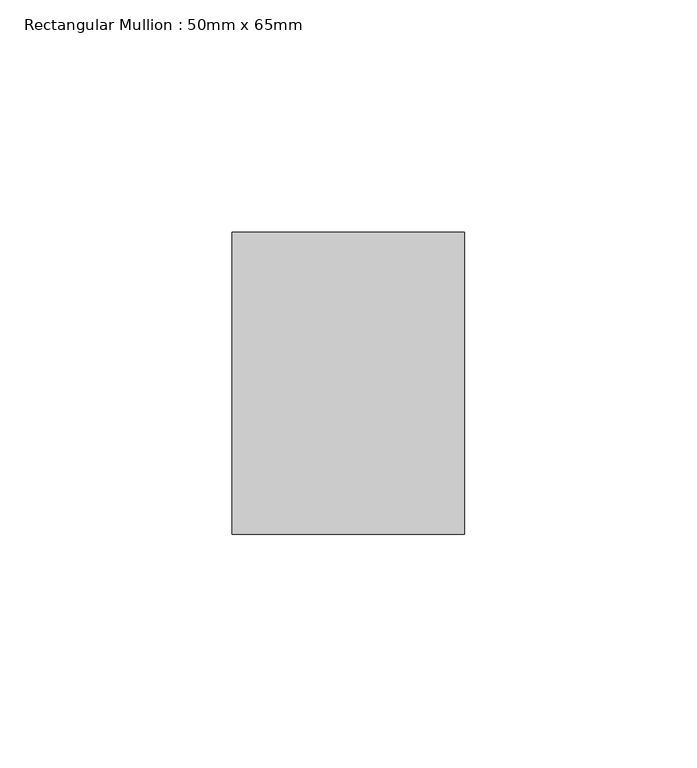
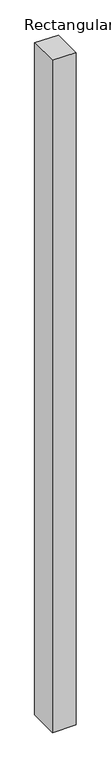
"""IFC4 building model written with IfcOpenShell, lengths in millimetres: member geometry, Rectangular Mullion : 50mm x 65mm."""

from ifc_helpers import new_model, si_unit, origin, place, context, project, spatial, faceted_brep, source, transform, mapped, element, save


def rectangular_mullion_50mm_x_65mm_a0ba9680(model_context):
    return source(origin(), model_context, "Body", "Brep", [
        faceted_brep([(-25.0, 32.5, -0.2027379), (25.0, 32.5, -0.202739), (25.0, 32.5, -1499.892787), (-25.0, 32.5, -1499.8927875), (-25.0, -32.5, 0.202739), (-25.0, -32.5, -1500.1074492), (25.0, -32.5, 0.2027379), (25.0, -32.5, -1500.1074488)], [[[0, 1, 2, 3]], [[4, 0, 3, 5]], [[6, 4, 5, 7]], [[1, 6, 7, 2]], [[1, 0, 4, 6]], [[2, 7, 5, 3]]]),
    ])


if __name__ == "__main__":
    model = new_model("IFC4")
    model_context = context("Model", 3, world=origin())
    ifc_project = project(units=[si_unit("LENGTHUNIT", "METRE", prefix="MILLI")], contexts=[model_context])
    site = spatial("IfcSite", under=ifc_project)
    building = spatial("IfcBuilding", under=site)
    placement = place(None, origin())
    rectangular_mullion_50mm_x_65mm_shape = rectangular_mullion_50mm_x_65mm_a0ba9680(model_context)
    element("IfcMember", 1, ObjectType="Rectangular Mullion : 50mm x 65mm", at=placement, inside=building, context=model_context, shape_type="MappedRepresentation", body=[
        mapped(rectangular_mullion_50mm_x_65mm_shape, transform((0.0, 0.0, 0.0), x_axis=(1.0, 0.0, 0.0), y_axis=(0.0, 1.0, 0.0), z_axis=(0.0, 0.0, 1.0))),
    ])
    save(model, "model.ifc")
